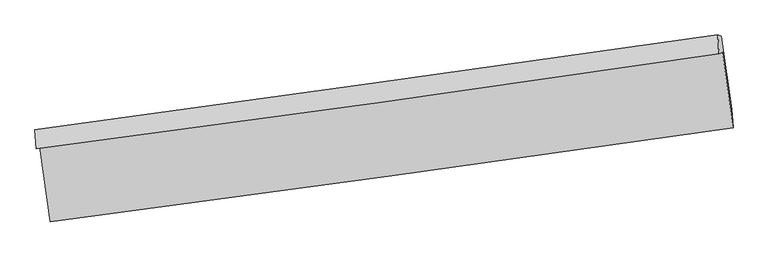
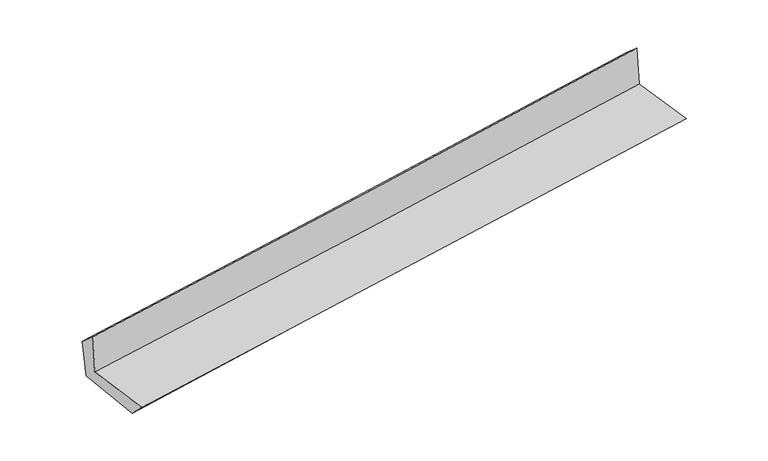
"""IFC4 building model written with IfcOpenShell, lengths in millimetres: proxy geometry."""

from ifc_helpers import new_model, si_unit, frame, origin, place, context, project, spatial, source, transform, mapped, element, save
from ifc_brep_helpers import plane_surface, spline_curve, spline_surface, advanced_brep


def generic_models_2585d069(model_context):
    return source(origin(), model_context, "Body", "AdvancedBrep", [
        advanced_brep(
        [(-3002.0464713, -1912.9378309, 1658.246519), (-2910.840665, -2568.7317969, 1648.0377422), (3047.9139568, -1748.7595003, 2140.2005039), (2956.6457986, -1087.7091941, 2142.5644927), (-3033.0229496, -1931.9947154, 2056.5644517), (2924.7275196, -1101.9366149, 2544.1597863), (-3043.7793155, -1765.7663213, 1912.6103065), (2914.2677893, -938.1714019, 2400.7118241), (-3010.6013377, -1778.4950697, 1540.1034758), (2946.7678579, -950.6400702, 2035.816242), (-2918.648234, -2420.3241047, 1498.2306423), (3038.033294, -1587.6692127, 1994.2565528)],
        [
            (0, 1),
            (1, 2, spline_curve(3, [(-2910.840665, -2568.7317969, 1648.0377422), (-1917.511398957, -2436.205352839, 1734.430009642), (-924.284855033, -2301.611244511, 1818.639630927), (1061.966686338, -2028.287161623, 1982.69390167), (2054.991683269, -1889.557171531, 2062.538534564), (3047.9139568, -1748.7595003, 2140.2005039)], [4, 2, 4], [0.0, 9.899990879712995, 19.800020621819737])),
            (2, 3),
            (3, 0, spline_curve(3, [(2956.6457986, -1087.7091941, 2142.5644927), (1964.770696755, -1232.401957452, 2058.850204532), (972.274480557, -1373.517520211, 1976.633153252), (-1013.956280692, -1648.593704284, 1815.193840212), (-2007.690821392, -1782.554354045, 1735.971567176), (-3002.0464713, -1912.9378309, 1658.246519)], [4, 2, 4], [0.0, 9.900029742106742, 19.800020621819737])),
            (4, 0),
            (3, 5),
            (5, 4, spline_curve(3, [(2924.7275196, -1101.9366149, 2544.1597863), (1932.799704472, -1249.299687178, 2465.431133787), (940.355615914, -1392.152858715, 2385.43378099), (-1045.561211466, -1668.83885702, 2222.901992819), (-2039.033945692, -1802.671718986, 2140.367567497), (-3033.0229496, -1931.9947154, 2056.5644517)], [4, 2, 4], [0.0, 9.900094210727229, 19.80014955880764])),
            (6, 4),
            (5, 7),
            (7, 6, spline_curve(3, [(2914.2677893, -938.1714019, 2400.7118241), (1921.787428733, -1079.462796948, 2318.617673837), (929.042348025, -1219.074869821, 2236.895393122), (-1056.973355982, -1494.939829926, 2074.194890417), (-2050.243976778, -1631.192730189, 1993.216665162), (-3043.7793155, -1765.7663213, 1912.6103065)], [4, 2, 4], [0.0, 9.900049518550027, 19.800060174628673])),
            (8, 6),
            (7, 9),
            (9, 8, spline_curve(3, [(2946.7678579, -950.6400702, 2035.816242), (1954.178801863, -1091.889764442, 1954.942472267), (961.435866167, -1231.502660058, 1873.19610775), (-1024.353866968, -1507.454313719, 1707.958511969), (-2017.400663129, -1643.793084561, 1624.467288068), (-3010.6013377, -1778.4950697, 1540.1034758)], [4, 2, 4], [0.0, 9.899989718868955, 19.799940575501275])),
            (10, 8),
            (9, 11),
            (11, 10, spline_curve(3, [(3038.033294, -1587.6692127, 1994.2565528), (2044.385717005, -1721.530472912, 1913.864803671), (1051.170827964, -1857.849151608, 1832.333352889), (-934.389678215, -2135.400801429, 1666.991374035), (-1926.735298119, -2276.633753524, 1583.180854166), (-2918.648234, -2420.3241047, 1498.2306423)], [4, 2, 4], [0.0, 9.899979193059943, 19.79991952392457])),
            (1, 10),
            (11, 2),
        ],
        [
            spline_surface(3, 3, [[(-3002.0464713, -1912.9378309, 1658.246519), (-2007.690821488, -1782.554353904, 1735.971567237), (-1013.956280813, -1648.593704346, 1815.193840339), (972.274480678, -1373.51752015, 1976.633153125), (1964.770696674, -1232.401957468, 2058.850204642), (2956.6457986, -1087.7091941, 2142.5644927)], [(-2971.644535875, -2131.535819577, 1654.843593397), (-1977.631013955, -2000.438020246, 1735.45771474), (-984.065805571, -1866.266217697, 1816.342437154), (1002.171882561, -1591.774067355, 1978.653402685), (1994.844358843, -1451.453695468, 2060.079648005), (2987.068518016, -1308.059296189, 2141.776496442)], [(-2941.242600425, -2350.133808223, 1651.440667803), (-1947.571206399, -2218.321686557, 1734.943862253), (-954.175330296, -2083.938731033, 1817.491033973), (1032.069284476, -1810.030614545, 1980.673652249), (2024.918020965, -1670.5054334, 2061.309091343), (3017.491237384, -1528.409398211, 2140.988500158)], [(-2910.840665, -2568.7317969, 1648.0377422), (-1917.511398867, -2436.205352899, 1734.430009756), (-924.284855053, -2301.611244384, 1818.639630787), (1061.966686359, -2028.28716175, 1982.693901809), (2054.991683134, -1889.5571714, 2062.538534706), (3047.9139568, -1748.7595003, 2140.2005039)]], [4, 4], [4, 2, 4], [0.0, 2.1654593506432436], [0.0, 9.899990879712995, 19.800020621819737]),
            spline_surface(3, 3, [[(-3033.0229496, -1931.9947154, 2056.5644517), (-2039.033945652, -1802.671718918, 2140.367567578), (-1045.561211332, -1668.838856911, 2222.901992825), (940.35561578, -1392.152858825, 2385.433780983), (1932.799704542, -1249.299687319, 2465.43113394), (2924.7275196, -1101.9366149, 2544.1597863)], [(-3022.697456837, -1925.642420569, 1923.791807486), (-2028.586237601, -1795.965930582, 2005.568900817), (-1035.02623449, -1662.090472717, 2086.999275356), (950.995237415, -1385.941079261, 2249.166905056), (1943.456701905, -1243.667110684, 2329.904157503), (2935.366945918, -1097.194141282, 2410.294688429)], [(-3012.371964063, -1919.290125731, 1791.019163214), (-2018.138529538, -1789.26014224, 1870.770233998), (-1024.491257655, -1655.34208854, 1951.096557809), (961.634859043, -1379.729299713, 2112.900029052), (1954.113699312, -1238.034534103, 2194.377181078), (2946.006372282, -1092.451667718, 2276.429590571)], [(-3002.0464713, -1912.9378309, 1658.246519), (-2007.690821488, -1782.554353904, 1735.971567237), (-1013.956280813, -1648.593704346, 1815.193840339), (972.274480678, -1373.51752015, 1976.633153125), (1964.770696674, -1232.401957468, 2058.850204642), (2956.6457986, -1087.7091941, 2142.5644927)]], [4, 4], [4, 2, 4], [0.0, 1.3449778640139733], [0.0, 9.90005534808041, 19.80014955880764]),
            spline_surface(3, 3, [[(-3043.7793155, -1765.7663213, 1912.6103065), (-2050.243976658, -1631.192730109, 1993.216665125), (-1056.973355828, -1494.939829838, 2074.194890287), (929.042347871, -1219.074869909, 2236.895393253), (1921.787428599, -1079.462797007, 2318.61767392), (2914.2677893, -938.1714019, 2400.7118241)], [(-3040.193860172, -1821.175786017, 1960.595021567), (-2046.507299628, -1688.352393063, 2042.266965943), (-1053.169307647, -1552.906172198, 2123.763924441), (932.81343719, -1276.767532882, 2286.408189137), (1925.458187246, -1136.075093782, 2367.555493907), (2917.754366066, -992.759806237, 2448.52781148)], [(-3036.608404928, -1876.585250683, 2008.579736633), (-2042.770622682, -1745.512055964, 2091.31726676), (-1049.365259513, -1610.872514552, 2173.332958671), (936.584526461, -1334.460195851, 2335.920985099), (1929.128945896, -1192.687390544, 2416.493313954), (2921.240942834, -1047.348210563, 2496.34379892)], [(-3033.0229496, -1931.9947154, 2056.5644517), (-2039.033945652, -1802.671718918, 2140.367567578), (-1045.561211332, -1668.838856911, 2222.901992825), (940.35561578, -1392.152858825, 2385.433780983), (1932.799704542, -1249.299687319, 2465.43113394), (2924.7275196, -1101.9366149, 2544.1597863)]], [4, 4], [4, 2, 4], [0.0, 0.750417044332705], [0.0, 9.900010656078646, 19.800060174628673]),
            spline_surface(3, 3, [[(-3010.6013377, -1778.4950697, 1540.1034758), (-2017.400663097, -1643.7930844, 1624.467288098), (-1024.353866936, -1507.454313728, 1707.958512067), (961.435866135, -1231.502660049, 1873.196107653), (1954.178801849, -1091.88976428, 1954.942472413), (2946.7678579, -950.6400702, 2035.816242)], [(-3021.660663662, -1774.252153537, 1664.272419354), (-2028.348434312, -1639.592966273, 1747.383747094), (-1035.227029929, -1503.282819085, 1830.037304814), (950.638026684, -1227.360063322, 1994.42920286), (1943.381677429, -1087.747441875, 2076.167539586), (2935.934501697, -946.483847453, 2157.448102704)], [(-3032.719989538, -1770.009237463, 1788.441362946), (-2039.296205443, -1635.392848236, 1870.300206128), (-1046.100192835, -1499.111324482, 1952.116097539), (939.840187322, -1223.217466636, 2115.662298045), (1932.584553018, -1083.605119412, 2197.392606747), (2925.101145503, -942.327624647, 2279.079963396)], [(-3043.7793155, -1765.7663213, 1912.6103065), (-2050.243976658, -1631.192730109, 1993.216665125), (-1056.973355828, -1494.939829838, 2074.194890287), (929.042347871, -1219.074869909, 2236.895393253), (1921.787428599, -1079.462797007, 2318.61767392), (2914.2677893, -938.1714019, 2400.7118241)]], [4, 4], [4, 2, 4], [0.0, 1.2028371483835476], [0.0, 9.89995085663232, 19.799940575501275]),
            spline_surface(3, 3, [[(-2918.648234, -2420.3241047, 1498.2306423), (-1926.73529819, -2276.633753441, 1583.180854294), (-934.389678099, -2135.400801497, 1666.991373906), (1051.170827848, -1857.849151539, 1832.333353018), (2044.385717069, -1721.530472813, 1913.864803578), (3038.033294, -1587.6692127, 1994.2565528)], [(-2949.299268555, -2206.381093036, 1512.188253471), (-1956.95708648, -2065.686863764, 1596.9429989), (-964.377741034, -1926.085305575, 1680.647086618), (1021.259173954, -1649.06698771, 1845.954271222), (2014.316745326, -1511.650236607, 1927.557359865), (3007.611481964, -1375.326165172, 2008.109782542)], [(-2979.950303145, -1992.438081364, 1526.145864629), (-1987.178874806, -1854.739974077, 1610.705143493), (-994.365804, -1716.769809651, 1694.302799354), (991.347520029, -1440.284823879, 1859.575189449), (1984.247773592, -1301.770000486, 1941.249916126), (2977.189669936, -1162.983117728, 2021.963012258)], [(-3010.6013377, -1778.4950697, 1540.1034758), (-2017.400663097, -1643.7930844, 1624.467288098), (-1024.353866936, -1507.454313728, 1707.958512067), (961.435866135, -1231.502660049, 1873.196107653), (1954.178801849, -1091.88976428, 1954.942472413), (2946.7678579, -950.6400702, 2035.816242)]], [4, 4], [4, 2, 4], [0.0, 2.0829062493007084], [0.0, 9.899940330864625, 19.79991952392457]),
            spline_surface(3, 3, [[(-2910.840665, -2568.7317969, 1648.0377422), (-1917.511398867, -2436.205352899, 1734.430009756), (-924.284855053, -2301.611244384, 1818.639630787), (1061.966686359, -2028.28716175, 1982.693901809), (2054.991683134, -1889.5571714, 2062.538534706), (3047.9139568, -1748.7595003, 2140.2005039)], [(-2913.443187999, -2519.262566164, 1598.102042224), (-1920.586031974, -2383.014819744, 1684.013624593), (-927.65312939, -2246.207763434, 1768.090211828), (1058.368066867, -1971.474491691, 1932.57371888), (2051.456361118, -1833.548271871, 2012.980624333), (3044.620402539, -1695.062737767, 2091.552520203)], [(-2916.045711001, -2469.793335436, 1548.166342276), (-1923.660665083, -2329.824286596, 1633.597239457), (-931.021403762, -2190.804282448, 1717.540792865), (1054.769447339, -1914.661821598, 1882.453535947), (2047.921039085, -1777.539372342, 1963.422713951), (3041.326848261, -1641.365975233, 2042.904536497)], [(-2918.648234, -2420.3241047, 1498.2306423), (-1926.73529819, -2276.633753441, 1583.180854294), (-934.389678099, -2135.400801497, 1666.991373906), (1051.170827848, -1857.849151539, 1832.333353018), (2044.385717069, -1721.530472813, 1913.864803578), (3038.033294, -1587.6692127, 1994.2565528)]], [4, 4], [4, 2, 4], [0.0, 0.7426924931349483], [0.0, 9.899945235986566, 19.799929334187706]),
            plane_surface(frame((2971.3927027, -1235.8143324, 2209.6182336), z_axis=(0.9872022686129718, 0.13600063375786894, 0.08327970018474135), x_axis=(-0.08866423252952246, 0.034016078971184555, 0.9954805674855622))),
            plane_surface(frame((-2986.4898288, -2063.0416398, 1718.9655229), z_axis=(-0.9872022686129919, -0.1360006337578396, -0.08327970018454897), x_axis=(-0.13773471372651194, 0.9903491659413156, 0.015416814003432106))),
        ],
        [
            (0, [[1, 2, 3, 4]]),
            (1, [[5, -4, 6, 7]]),
            (2, [[8, -7, 9, 10]]),
            (3, [[11, -10, 12, 13]]),
            (4, [[14, -13, 15, 16]]),
            (5, [[17, -16, 18, -2]]),
            (6, [[-12, -9, -6, -3, -18, -15]]),
            (7, [[-1, -5, -8, -11, -14, -17]]),
        ],
    ),
    ])


if __name__ == "__main__":
    model = new_model("IFC4")
    model_context = context("Model", 3, world=origin())
    ifc_project = project(units=[si_unit("LENGTHUNIT", "METRE", prefix="MILLI")], contexts=[model_context])
    site = spatial("IfcSite", under=ifc_project)
    building = spatial("IfcBuilding", under=site)
    placement = place(None, origin())
    generic_models_shape = generic_models_2585d069(model_context)
    element("IfcBuildingElementProxy", 1, Name="Generic Models", at=placement, inside=building, context=model_context, shape_type="MappedRepresentation", body=[
        mapped(generic_models_shape, transform((0.0, 0.0, 0.0), x_axis=(1.0, 0.0, 0.0), y_axis=(0.0, 1.0, 0.0), z_axis=(0.0, 0.0, 1.0))),
    ])
    save(model, "model.ifc")
